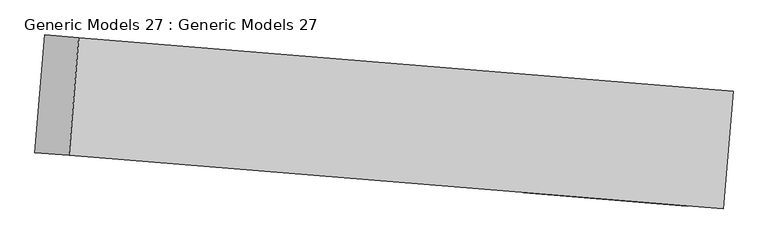
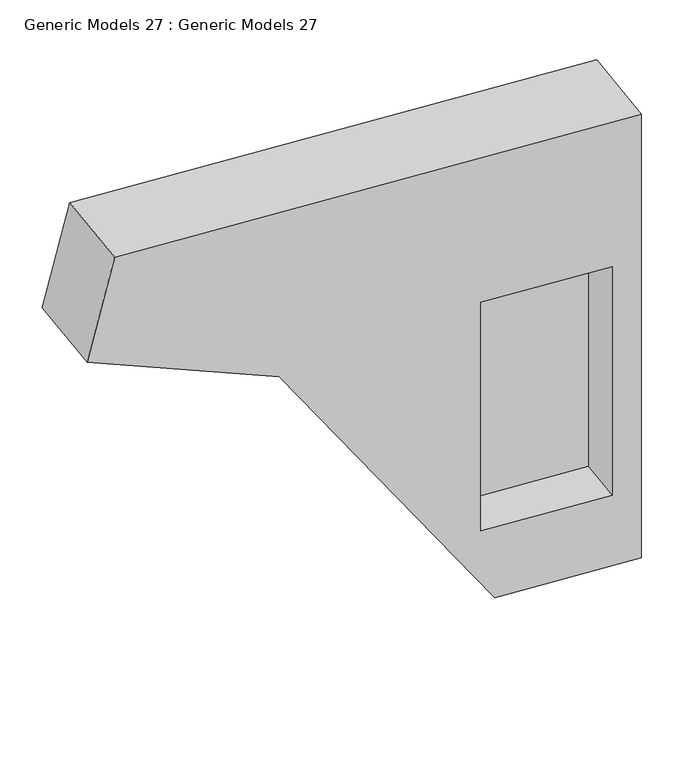
"""IFC4 building model written with IfcOpenShell, lengths in millimetres: proxy geometry, Generic Models 27 : Generic Models 27."""

from ifc_helpers import new_model, si_unit, origin, place, context, project, spatial, faceted_brep, source, transform, mapped, element, save


def generic_models_27_generic_models_27_dfaa28ce(model_context):
    return source(origin(), model_context, "Body", "Brep", [
        faceted_brep([(-255096.1922909, 4313.2179673, 3285.3456636), (-253135.9871535, 4152.6044128, 476.500959), (-251803.9489088, 4043.4610415, 476.500959), (-251803.9489088, 4043.4610415, 4940.0051752), (-256590.9024124, 4435.690203, 4940.0051752), (-256840.3445934, 4456.1287758, 3957.1067108), (-253265.5289281, 4163.2186922, 3485.4701137), (-252069.5369723, 4065.2225613, 3485.4701137), (-252069.5369723, 4065.2225613, 1185.4701137), (-253265.5289281, 4163.2186922, 1185.4701137), (-255025.6857748, 5173.713431, 3285.3456636), (-256769.8380773, 5316.6242394, 3957.1067108), (-256520.3958963, 5296.1856667, 4940.0051752), (-251733.4423927, 4903.9565052, 4940.0051752), (-251733.4423927, 4903.9565052, 476.500959), (-253065.4806374, 5013.0998765, 476.500959), (-253228.1420309, 4619.5063838, 3485.4701137), (-253228.1420309, 4619.5063838, 1185.4701137), (-252032.1500751, 4521.510253, 1185.4701137), (-252032.1500751, 4521.510253, 3485.4701137)], [[[0, 1, 2, 3, 4, 5], [6, 7, 8, 9]], [[10, 11, 12, 13, 14, 15]], [[1, 0, 10, 15]], [[2, 1, 15, 14]], [[3, 2, 14, 13]], [[4, 3, 13, 12]], [[5, 4, 12, 11]], [[0, 5, 11, 10]], [[16, 17, 18, 19]], [[16, 19, 7, 6]], [[19, 18, 8, 7]], [[18, 17, 9, 8]], [[17, 16, 6, 9]]]),
    ])


if __name__ == "__main__":
    model = new_model("IFC4")
    model_context = context("Model", 3, world=origin())
    ifc_project = project(units=[si_unit("LENGTHUNIT", "METRE", prefix="MILLI")], contexts=[model_context])
    site = spatial("IfcSite", under=ifc_project)
    building = spatial("IfcBuilding", under=site)
    placement = place(None, origin())
    generic_models_27_generic_models_27_shape = generic_models_27_generic_models_27_dfaa28ce(model_context)
    element("IfcBuildingElementProxy", 1, Name="Generic Models 27 : Generic Models 27", ObjectType="Generic Models 27 : Generic Models 27", at=placement, inside=building, context=model_context, shape_type="MappedRepresentation", body=[
        mapped(generic_models_27_generic_models_27_shape, transform((0.0, 0.0, 0.0), x_axis=(1.0, 0.0, 0.0), y_axis=(0.0, 1.0, 0.0), z_axis=(0.0, 0.0, 1.0))),
    ])
    save(model, "model.ifc")
